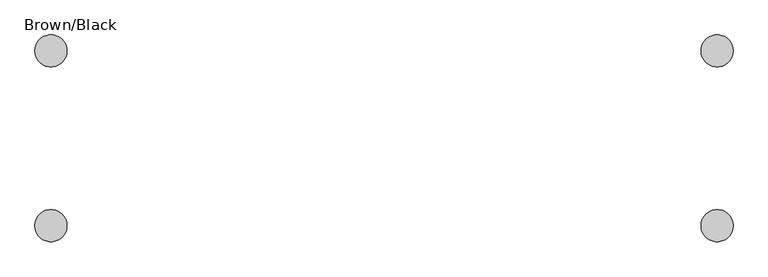
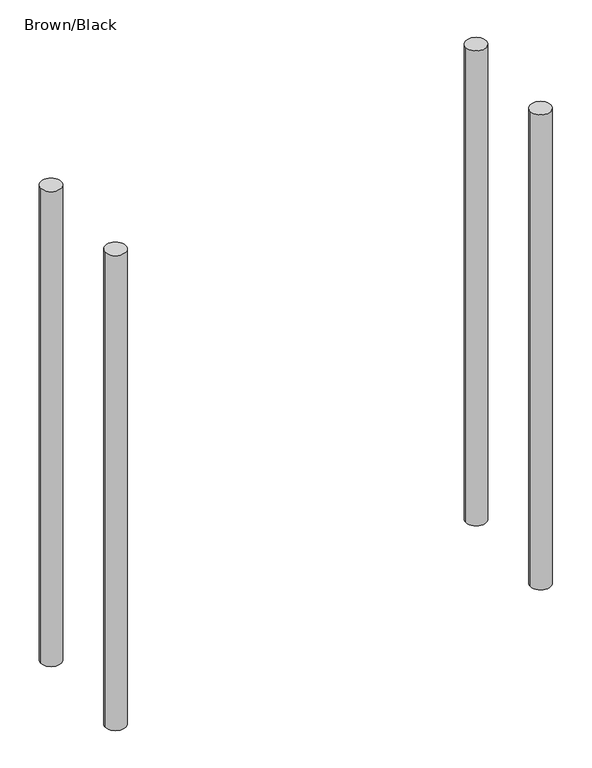
"""IFC4 building model written with IfcOpenShell, lengths in millimetres: furniture geometry, Brown/Black."""

from ifc_helpers import new_model, si_unit, point, frame, frame_2d, origin, place, context, project, spatial, circle_curve, trimmed, segment, composite_curve, outline, extrude, source, transform, mapped, element, save


def brown_black_df4bfb9c(model_context):
    return source(origin(), model_context, "Body", "SweptSolid", [
        extrude(outline(composite_curve([segment(trimmed(circle_curve(frame_2d((-547.0, 205.0)), 55.0), [point((-602.0, 205.0))], [point((-492.0, 205.0))], False, "CARTESIAN"), True, "CONTINUOUS"), segment(trimmed(circle_curve(frame_2d((-547.0, 205.0)), 55.0), [point((-492.0, 205.0))], [point((-602.0, 205.0))], False, "CARTESIAN"), True, "CONTINUOUS")], self_intersect=False)), frame((0.0, 0.0, -100.0), z_axis=(0.0, 0.0, 1.0), x_axis=(1.0, 0.0, 0.0)), (0.0, 0.0, 1.0), 2700.0),
        extrude(outline(composite_curve([segment(trimmed(circle_curve(frame_2d((-547.0, 805.0)), 55.0), [point((-602.0, 805.0))], [point((-492.0, 805.0))], False, "CARTESIAN"), True, "CONTINUOUS"), segment(trimmed(circle_curve(frame_2d((-547.0, 805.0)), 55.0), [point((-492.0, 805.0))], [point((-602.0, 805.0))], False, "CARTESIAN"), True, "CONTINUOUS")], self_intersect=False)), frame((0.0, 0.0, -100.0), z_axis=(0.0, 0.0, 1.0), x_axis=(1.0, 0.0, 0.0)), (0.0, 0.0, 1.0), 2700.0),
        extrude(outline(composite_curve([segment(trimmed(circle_curve(frame_2d((1739.0, 205.0)), 55.0), [point((1684.0, 205.0))], [point((1794.0, 205.0))], False, "CARTESIAN"), True, "CONTINUOUS"), segment(trimmed(circle_curve(frame_2d((1739.0, 205.0)), 55.0), [point((1794.0, 205.0))], [point((1684.0, 205.0))], False, "CARTESIAN"), True, "CONTINUOUS")], self_intersect=False)), frame((0.0, 0.0, -100.0), z_axis=(0.0, 0.0, 1.0), x_axis=(1.0, 0.0, 0.0)), (0.0, 0.0, 1.0), 2700.0),
        extrude(outline(composite_curve([segment(trimmed(circle_curve(frame_2d((1739.0, 805.0)), 55.0), [point((1684.0, 805.0))], [point((1794.0, 805.0))], False, "CARTESIAN"), True, "CONTINUOUS"), segment(trimmed(circle_curve(frame_2d((1739.0, 805.0)), 55.0), [point((1794.0, 805.0))], [point((1684.0, 805.0))], False, "CARTESIAN"), True, "CONTINUOUS")], self_intersect=False)), frame((0.0, 0.0, -100.0), z_axis=(0.0, 0.0, 1.0), x_axis=(1.0, 0.0, 0.0)), (0.0, 0.0, 1.0), 2700.0),
    ])


if __name__ == "__main__":
    model = new_model("IFC4")
    model_context = context("Model", 3, world=origin())
    ifc_project = project(units=[si_unit("LENGTHUNIT", "METRE", prefix="MILLI")], contexts=[model_context])
    site = spatial("IfcSite", under=ifc_project)
    building = spatial("IfcBuilding", under=site)
    placement = place(None, origin())
    brown_black_shape = brown_black_df4bfb9c(model_context)
    element("IfcFurniture", 1, ObjectType="Brown/Black", at=placement, inside=building, context=model_context, shape_type="MappedRepresentation", body=[
        mapped(brown_black_shape, transform((0.0, 0.0, 0.0), x_axis=(1.0, 0.0, 0.0), y_axis=(0.0, 1.0, 0.0), z_axis=(0.0, 0.0, 1.0))),
    ])
    save(model, "model.ifc")
